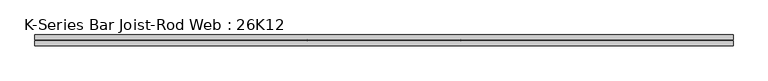
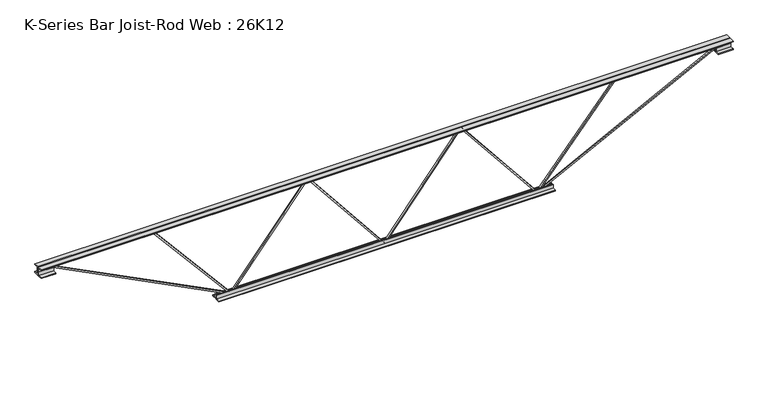
"""IFC4 building model written with IfcOpenShell, lengths in millimetres: beam geometry, K-Series Bar Joist-Rod Web : 26K12."""

from ifc_helpers import new_model, si_unit, frame, origin, place, context, project, spatial, polyline, outline, extrude, source, transform, mapped, element, save


def k_series_bar_joist_rod_web_26k12_4c492f41(model_context):
    return source(origin(), model_context, "Body", "SweptSolid", [
        extrude(outline(polyline([(-319.0875, 0.0), (-328.6125, 0.0), (-328.6125, 5.4621762), (319.0875, 524.2747163), (319.0875, 526.0503638), (-328.6125, 1044.8629038), (-328.6125, 1050.32508), (-319.0875, 1050.32508), (-319.0875, 1049.4372563), (328.6125, 530.6247163), (328.6125, 519.7003638), (-319.0875, 0.8878238), (-319.0875, 0.0)])), frame((0.0, -4.7625, 0.0), z_axis=(0.0, 1.0, 0.0), x_axis=(0.0, 0.0, 1.0)), (0.0, 0.0, 1.0), 9.525),
        extrude(outline(polyline([(-319.0875, -1050.32508), (-328.6125, -1050.32508), (-328.6125, -1044.8629038), (319.0875, -526.0503638), (319.0875, -524.2747163), (-328.6125, -5.4621762), (-328.6125, 0.0), (-319.0875, 0.0), (-319.0875, -0.8878238), (328.6125, -519.7003638), (328.6125, -530.6247163), (-319.0875, -1049.4372563), (-319.0875, -1050.32508)])), frame((0.0, -4.7625, 0.0), z_axis=(0.0, 1.0, 0.0), x_axis=(0.0, 0.0, 1.0)), (0.0, 0.0, 1.0), 9.525),
        extrude(outline(polyline([(4.7625, 330.2), (36.5125, 330.2), (36.5125, 323.85), (11.1125, 323.85), (11.1125, 298.45), (4.7625, 298.45), (4.7625, 330.2)])), frame((-2371.12508, 0.0, 0.0), z_axis=(1.0, 0.0, 0.0), x_axis=(0.0, 1.0, 0.0)), (0.0, 0.0, 1.0), 4742.2501601),
        extrude(outline(polyline([(-4.7625, 330.2), (-4.7625, 298.45), (-11.1125, 298.45), (-11.1125, 323.85), (-36.5125, 323.85), (-36.5125, 330.2), (-4.7625, 330.2)])), frame((-2371.12508, 0.0, 0.0), z_axis=(1.0, 0.0, 0.0), x_axis=(0.0, 1.0, 0.0)), (0.0, 0.0, 1.0), 4742.2501601),
        extrude(outline(polyline([(-4.7625, 266.7), (-36.5125, 266.7), (-36.5125, 273.05), (-11.1125, 273.05), (-11.1125, 298.45), (-4.7625, 298.45), (-4.7625, 266.7)])), frame((-2371.12508, 0.0, 0.0), z_axis=(1.0, 0.0, 0.0), x_axis=(0.0, 1.0, 0.0)), (0.0, 0.0, 1.0), 101.6),
        extrude(outline(polyline([(36.5125, 266.7), (4.7625, 266.7), (4.7625, 298.45), (11.1125, 298.45), (11.1125, 273.05), (36.5125, 273.05), (36.5125, 266.7)])), frame((-2371.12508, 0.0, 0.0), z_axis=(1.0, 0.0, 0.0), x_axis=(0.0, 1.0, 0.0)), (0.0, 0.0, 1.0), 101.6),
        extrude(outline(polyline([(4.7625, 266.7), (4.7625, 298.45), (11.1125, 298.45), (11.1125, 273.05), (36.5125, 273.05), (36.5125, 266.7), (4.7625, 266.7)])), frame((2269.52508, 0.0, 0.0), z_axis=(1.0, 0.0, 0.0), x_axis=(0.0, 1.0, 0.0)), (0.0, 0.0, 1.0), 101.6),
        extrude(outline(polyline([(-4.7625, 266.7), (-36.5125, 266.7), (-36.5125, 273.05), (-11.1125, 273.05), (-11.1125, 298.45), (-4.7625, 298.45), (-4.7625, 266.7)])), frame((2269.52508, 0.0, 0.0), z_axis=(1.0, 0.0, 0.0), x_axis=(0.0, 1.0, 0.0)), (0.0, 0.0, 1.0), 101.6),
        extrude(outline(polyline([(4.7625, -330.2), (4.7625, -298.45), (11.1125, -298.45), (11.1125, -323.85), (36.5125, -323.85), (36.5125, -330.2), (4.7625, -330.2)])), frame((-1151.92508, 0.0, 0.0), z_axis=(1.0, 0.0, 0.0), x_axis=(0.0, 1.0, 0.0)), (0.0, 0.0, 1.0), 2303.8501601),
        extrude(outline(polyline([(-4.7625, -330.2), (-36.5125, -330.2), (-36.5125, -323.85), (-11.1125, -323.85), (-11.1125, -298.45), (-4.7625, -298.45), (-4.7625, -330.2)])), frame((-1151.92508, 0.0, 0.0), z_axis=(1.0, 0.0, 0.0), x_axis=(0.0, 1.0, 0.0)), (0.0, 0.0, 1.0), 2303.8501601),
        extrude(outline(polyline([(0.0, -9.525), (0.0, 0.0), (1368.8337847, 0.0), (1368.8337847, -9.525), (0.0, -9.525)])), frame((-2271.6902105, 4.7625, 294.2081117), z_axis=(0.45462057335087713, 0.0, 0.8906852049327639), x_axis=(0.8906852049327639, 0.0, -0.45462057335087713)), (0.0, 0.0, 1.0), 9.525),
        extrude(outline(polyline([(4.7625, 4.7625), (4.7625, -4.7625), (-4.7625, -4.7625), (-4.7625, 4.7625), (4.7625, 4.7625)])), frame((-1050.32508, 0.0, -323.85), z_axis=(-0.6449404605810416, 0.0, 0.7642328194375809), x_axis=(0.0, -1.0, 0.0)), (0.0, 0.0, 1.0), 814.280654),
        extrude(outline(polyline([(0.0, -9.525), (0.0, 0.0), (1368.8337847, 0.0), (1368.8337847, -9.525), (0.0, -9.525)])), frame((2271.6902105, -4.7625, 294.2081117), z_axis=(-0.4546205733508681, 0.0, 0.8906852049327686), x_axis=(-0.8906852049327686, 0.0, -0.4546205733508681)), (0.0, 0.0, 1.0), 9.525),
        extrude(outline(polyline([(4.7625, 4.7625), (4.7625, -4.7625), (-4.7625, -4.7625), (-4.7625, 4.7625), (4.7625, 4.7625)])), frame((1050.32508, 0.0, -323.85), z_axis=(0.6449404605810454, 0.0, 0.7642328194375776), x_axis=(0.0, -1.0, 0.0)), (0.0, 0.0, 1.0), 814.280654),
    ])


if __name__ == "__main__":
    model = new_model("IFC4")
    model_context = context("Model", 3, world=origin())
    ifc_project = project(units=[si_unit("LENGTHUNIT", "METRE", prefix="MILLI")], contexts=[model_context])
    site = spatial("IfcSite", under=ifc_project)
    building = spatial("IfcBuilding", under=site)
    placement = place(None, origin())
    k_series_bar_joist_rod_web_26k12_shape = k_series_bar_joist_rod_web_26k12_4c492f41(model_context)
    element("IfcBeam", 1, ObjectType="K-Series Bar Joist-Rod Web : 26K12", at=placement, inside=building, context=model_context, shape_type="MappedRepresentation", body=[
        mapped(k_series_bar_joist_rod_web_26k12_shape, transform((0.0, 0.0, 0.0), x_axis=(1.0, 0.0, 0.0), y_axis=(0.0, 1.0, 0.0), z_axis=(0.0, 0.0, 1.0))),
    ])
    save(model, "model.ifc")
